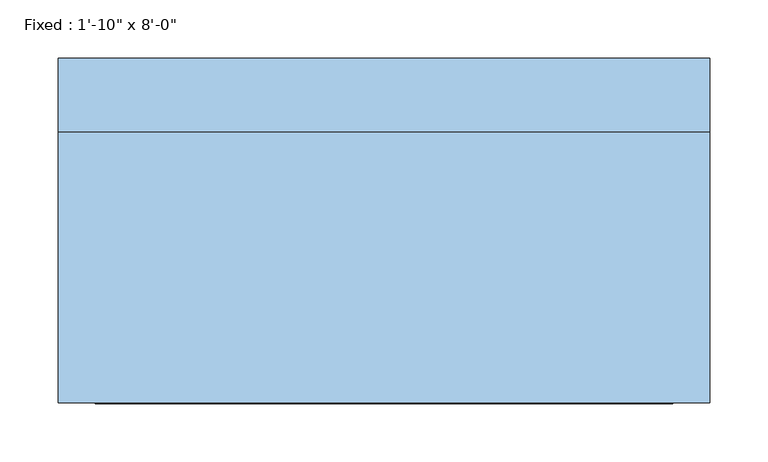
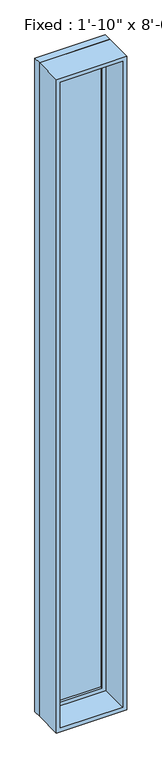
"""IFC4 building model written with IfcOpenShell, lengths in millimetres: window geometry."""

from ifc_helpers import new_model, si_unit, frame, origin, place, context, project, spatial, polyline, outline, extrude, source, transform, mapped, element, save


def window_038ea4ae(model_context):
    return source(origin(), model_context, "Body", "SweptSolid", [
        extrude(outline(polyline([(177.8, 100.0125), (-254.0, 100.0125), (-254.0, 112.7125), (177.8, 112.7125), (177.8, 100.0125)])), frame((0.0, 0.0, 292.1), z_axis=(0.0, 0.0, 1.0), x_axis=(1.0, 0.0, 0.0)), (0.0, 0.0, 1.0), 5359.4),
        extrude(outline(polyline([(5695.95, -298.45), (247.65, -298.45), (247.65, 222.25), (5695.95, 222.25), (5695.95, -298.45)]), holes=[polyline([(5651.5, -254.0), (5651.5, 177.8), (292.1, 177.8), (292.1, -254.0), (5651.5, -254.0)])]), frame((0.0, 84.1375, 0.0), z_axis=(0.0, 1.0, 0.0), x_axis=(0.0, 0.0, 1.0)), (0.0, 0.0, 1.0), 44.45),
        extrude(outline(polyline([(5715.0, -317.5), (228.6, -317.5), (228.6, 241.3), (5715.0, 241.3), (5715.0, -317.5)]), holes=[polyline([(5683.25, -285.75), (5683.25, 209.55), (260.35, 209.55), (260.35, -285.75), (5683.25, -285.75)])]), frame((0.0, -147.6375, 0.0), z_axis=(0.0, 1.0, 0.0), x_axis=(0.0, 0.0, 1.0)), (0.0, 0.0, 1.0), 231.775),
        extrude(outline(polyline([(5715.0, 241.3), (5715.0, -317.5), (228.6, -317.5), (228.6, 241.3), (5715.0, 241.3)]), holes=[polyline([(5695.95, 222.25), (247.65, 222.25), (247.65, -298.45), (5695.95, -298.45), (5695.95, 222.25)])]), frame((0.0, 84.1375, 0.0), z_axis=(0.0, 1.0, 0.0), x_axis=(0.0, 0.0, 1.0)), (0.0, 0.0, 1.0), 63.5),
    ])


if __name__ == "__main__":
    model = new_model("IFC4")
    model_context = context("Model", 3, world=origin())
    ifc_project = project(units=[si_unit("LENGTHUNIT", "METRE", prefix="MILLI")], contexts=[model_context])
    site = spatial("IfcSite", under=ifc_project)
    building = spatial("IfcBuilding", under=site)
    placement = place(None, origin())
    window_shape = window_038ea4ae(model_context)
    element("IfcWindow", 1, ObjectType="Fixed : 1'-10\" x 8'-0\"", at=placement, inside=building, context=model_context, shape_type="MappedRepresentation", body=[
        mapped(window_shape, transform((0.0, 0.0, 0.0), x_axis=(1.0, 0.0, 0.0), y_axis=(0.0, 1.0, 0.0), z_axis=(0.0, 0.0, 1.0))),
    ])
    save(model, "model.ifc")
